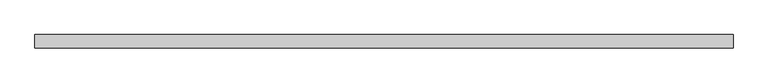
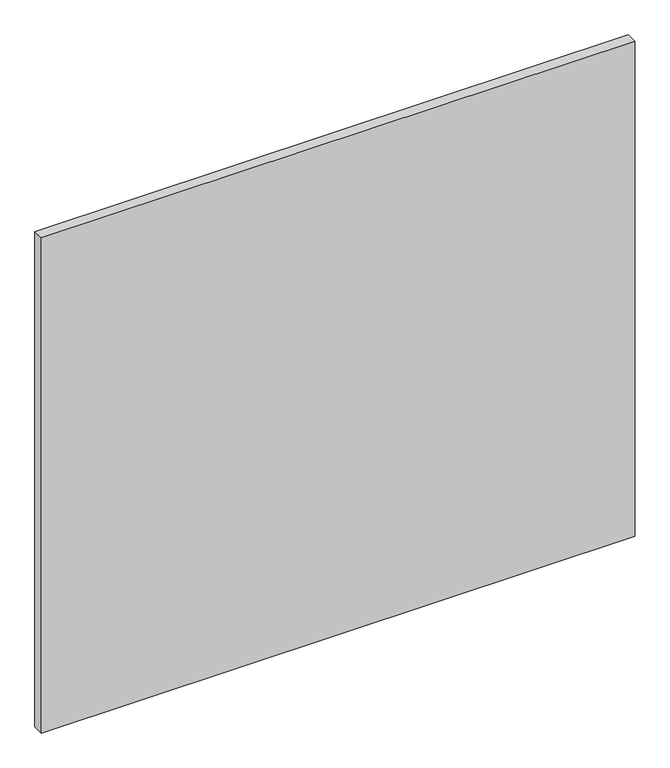
"""IFC4 building model written with IfcOpenShell, lengths in millimetres: proxy geometry."""

from ifc_helpers import new_model, si_unit, frame, origin, place, context, project, spatial, polyline, outline, extrude, source, transform, mapped, element, save


def specialty_equipment_e7a427ed(model_context):
    return source(origin(), model_context, "Body", "SweptSolid", [
        extrude(outline(polyline([(506.1204, 0.0), (-506.1204, 0.0), (-506.1204, 19.05), (506.1204, 19.05), (506.1204, 0.0)])), frame((0.0, 0.0, 3.175), z_axis=(0.0, 0.0, 1.0), x_axis=(1.0, 0.0, 0.0)), (0.0, 0.0, 1.0), 892.175),
    ])


if __name__ == "__main__":
    model = new_model("IFC4")
    model_context = context("Model", 3, world=origin())
    ifc_project = project(units=[si_unit("LENGTHUNIT", "METRE", prefix="MILLI")], contexts=[model_context])
    site = spatial("IfcSite", under=ifc_project)
    building = spatial("IfcBuilding", under=site)
    placement = place(None, origin())
    specialty_equipment_shape = specialty_equipment_e7a427ed(model_context)
    element("IfcBuildingElementProxy", 1, Name="Specialty Equipment", at=placement, inside=building, context=model_context, shape_type="MappedRepresentation", body=[
        mapped(specialty_equipment_shape, transform((0.0, 0.0, 0.0), x_axis=(1.0, 0.0, 0.0), y_axis=(0.0, 1.0, 0.0), z_axis=(0.0, 0.0, 1.0))),
    ])
    save(model, "model.ifc")
